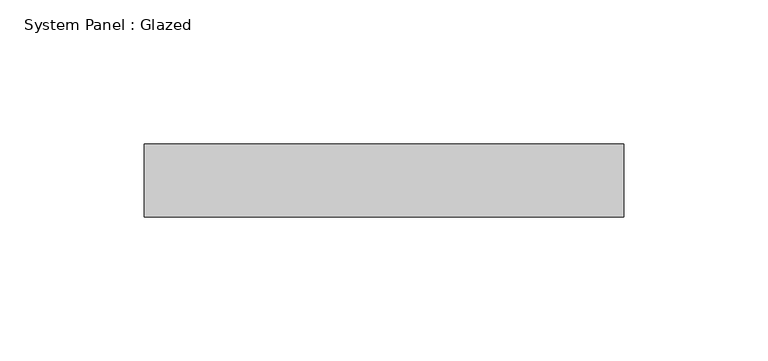
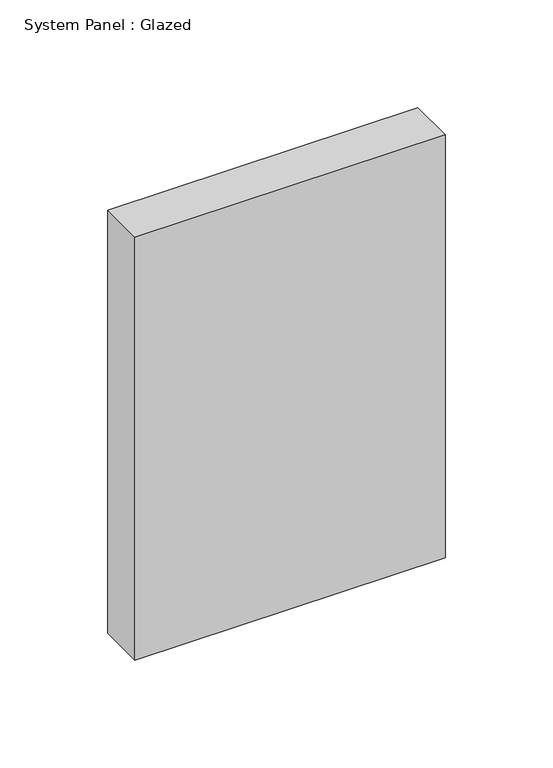
"""IFC4 building model written with IfcOpenShell, lengths in millimetres: plate geometry, System Panel : Glazed."""

import ifcopenshell
import ifcopenshell.guid

model = None  # the IFC model being written
_history = None  # IfcOwnerHistory: only IFC2X3 demands one
_inside = {}  # id of a spatial element -> (the spatial element, [elements in it])
_under = {}  # id of a project, library or spatial element -> (it, [spatial elements below it])
_declared = {}  # id of a project -> (the project, [libraries it declares])
_typed = {}  # id of a type object -> (the type object, [elements of that type])
_made_of = {}  # id of a material, layer set ... -> (it, [elements and type objects made of it])


def new_model(schema):
    """Start an empty IFC model of exactly this schema.

    Asked for "IFC4X3", IfcOpenShell would pick the latest addendum, in which some entities
    have other attributes; the version numbers below select the first issue.
    IFC2X3 requires an IfcOwnerHistory on every rooted entity: one is made here for all.
    """
    global model, _history
    if schema == "IFC4X3":
        model = ifcopenshell.file(schema_version=(4, 3, 0, 0))
    else:
        model = ifcopenshell.file(schema=schema)
    _inside.clear()
    _under.clear()
    _declared.clear()
    _typed.clear()
    _made_of.clear()
    _history = None
    if model.schema == "IFC2X3":
        org = make("IfcOrganization", Name="unknown")
        user = make(
            "IfcPersonAndOrganization",
            ThePerson=make("IfcPerson", FamilyName="unknown"),
            TheOrganization=org,
        )
        app = make(
            "IfcApplication",
            ApplicationDeveloper=org,
            Version="unknown",
            ApplicationFullName="unknown",
            ApplicationIdentifier="unknown",
        )
        _history = make(
            "IfcOwnerHistory",
            OwningUser=user,
            OwningApplication=app,
            ChangeAction="ADDED",
            CreationDate=0,
        )
    return model


def make(cls, **values):
    """One entity of the class cls with the attributes given. An attribute that is None is left unset."""
    return model.create_entity(
        cls, **{name: value for name, value in values.items() if value is not None}
    )


def rooted(cls, **values):
    """An entity with a GlobalId (a new one), such as an element, a storey or a relation."""
    return make(cls, GlobalId=ifcopenshell.guid.new(), OwnerHistory=_history, **values)


def si_unit(unit_type, name, prefix=None):
    """IfcSIUnit, for example si_unit("LENGTHUNIT", "METRE", prefix="MILLI")."""
    return make("IfcSIUnit", UnitType=unit_type, Prefix=prefix, Name=name)


def assignment(units):
    """IfcUnitAssignment: the units of a project."""
    return None if units is None else make("IfcUnitAssignment", Units=units)


def point(xyz):
    """IfcCartesianPoint."""
    return None if xyz is None else make("IfcCartesianPoint", Coordinates=xyz)


def direction(xyz):
    """IfcDirection."""
    return None if xyz is None else make("IfcDirection", DirectionRatios=xyz)


def frame(location, z_axis=None, x_axis=None):
    """IfcAxis2Placement3D, a coordinate frame: its origin and axes. An axis left out is left unset."""
    return make(
        "IfcAxis2Placement3D",
        Location=point(location),
        Axis=direction(z_axis),
        RefDirection=direction(x_axis),
    )


def origin():
    """The frame at (0, 0, 0) with its axes left unset."""
    return frame((0.0, 0.0, 0.0))


def origin_with_axes():
    """The frame at (0, 0, 0) with the z axis (0, 0, 1) and the x axis (1, 0, 0) written out."""
    return frame((0.0, 0.0, 0.0), z_axis=(0.0, 0.0, 1.0), x_axis=(1.0, 0.0, 0.0))


def place(relative_to, where):
    """IfcLocalPlacement: puts the frame where relative to a parent placement (None: the world)."""
    return make(
        "IfcLocalPlacement", PlacementRelTo=relative_to, RelativePlacement=where
    )


def context(
    kind, dimensions, precision=None, world=None, true_north=None, identifier=None
):
    """IfcGeometricRepresentationContext, for example the 3D "Model" context."""
    return make(
        "IfcGeometricRepresentationContext",
        ContextIdentifier=identifier,
        ContextType=kind,
        CoordinateSpaceDimension=dimensions,
        Precision=precision,
        WorldCoordinateSystem=world,
        TrueNorth=true_north,
    )


def project(units=None, contexts=None):
    """IfcProject with its units and contexts."""
    return rooted(
        "IfcProject",
        Name="project",
        RepresentationContexts=contexts,
        UnitsInContext=assignment(units),
    )


def spatial(cls, under=None, at=None, **own):
    """A site, building, storey or space (cls), placed at a placement, below another one or the project."""
    s = rooted(cls, ObjectPlacement=at, **own)
    if under is not None:
        _under.setdefault(under.id(), (under, []))[1].append(s)
    return s


def polyline(points):
    """IfcPolyline through the points."""
    return make("IfcPolyline", Points=[point(p) for p in points])


def outline(outer, holes=None, kind="AREA"):
    """IfcArbitraryClosedProfileDef: a profile drawn as a closed curve; with holes, ...WithVoids."""
    if holes is None:
        return make("IfcArbitraryClosedProfileDef", ProfileType=kind, OuterCurve=outer)
    return make(
        "IfcArbitraryProfileDefWithVoids",
        ProfileType=kind,
        OuterCurve=outer,
        InnerCurves=holes,
    )


def extrude(swept, where, along, depth):
    """IfcExtrudedAreaSolid: the profile swept, set in the frame where, extruded along a direction by depth."""
    return make(
        "IfcExtrudedAreaSolid",
        SweptArea=swept,
        Position=where,
        ExtrudedDirection=direction(along),
        Depth=depth,
    )


def shape(context_of_items, identifier, shape_type, items):
    """IfcShapeRepresentation: the items that make up one representation, for example the "Body"."""
    return make(
        "IfcShapeRepresentation",
        ContextOfItems=context_of_items,
        RepresentationIdentifier=identifier,
        RepresentationType=shape_type,
        Items=items,
    )


def source(mapping_origin, context_of_items, identifier, shape_type, items):
    """IfcRepresentationMap: a shape defined once, which mapped items show again and again."""
    return make(
        "IfcRepresentationMap",
        MappingOrigin=mapping_origin,
        MappedRepresentation=shape(context_of_items, identifier, shape_type, items),
    )


def transform(
    local_origin,
    x_axis=None,
    y_axis=None,
    z_axis=None,
    scale=None,
    scale2=None,
    scale3=None,
    uniform=True,
):
    """IfcCartesianTransformationOperator3D, or its non-uniform kind. x_axis, y_axis, z_axis: its Axis1, 2, 3."""
    if uniform:
        return make(
            "IfcCartesianTransformationOperator3D",
            Axis1=direction(x_axis),
            Axis2=direction(y_axis),
            LocalOrigin=point(local_origin),
            Scale=scale,
            Axis3=direction(z_axis),
        )
    return make(
        "IfcCartesianTransformationOperator3DnonUniform",
        Axis1=direction(x_axis),
        Axis2=direction(y_axis),
        LocalOrigin=point(local_origin),
        Scale=scale,
        Axis3=direction(z_axis),
        Scale2=scale2,
        Scale3=scale3,
    )


def mapped(mapping_source, mapping_target):
    """IfcMappedItem: shows the shape of a source again, moved by a transform."""
    return make(
        "IfcMappedItem", MappingSource=mapping_source, MappingTarget=mapping_target
    )


def made_of(thing, what):
    """Note that an element or type object is made of a material, layer set ...; save() writes the relation."""
    if what is not None:
        _made_of.setdefault(what.id(), (what, []))[1].append(thing)
    return thing


def element(
    cls,
    number,
    at=None,
    inside=None,
    cuts=None,
    type_object=None,
    material=None,
    context=None,
    identifier="Body",
    shape_type=None,
    held_by="IfcProductDefinitionShape",
    body=None,
    shapes=None,
    **own,
):
    """One element of the class cls, such as IfcWall. Its Tag is "e" and its number.

    at: its placement. inside: the storey or other place that contains it. cuts: it is an
    opening in that element (IfcRelVoidsElement). A single representation is given by context,
    identifier, shape_type and body (its items); several are given by shapes. held_by: the class
    of the entity that holds the representations. save() writes the other relations.
    """
    e = rooted(cls, Tag="e%d" % number, ObjectPlacement=at, **own)
    if body is not None:
        shapes = [shape(context, identifier, shape_type, body)]
    if shapes is not None:
        e.Representation = make(held_by, Representations=shapes)
    if inside is not None:
        _inside.setdefault(inside.id(), (inside, []))[1].append(e)
    if cuts is not None:
        rooted(
            "IfcRelVoidsElement", RelatingBuildingElement=cuts, RelatedOpeningElement=e
        )
    if type_object is not None:
        _typed.setdefault(type_object.id(), (type_object, []))[1].append(e)
    return made_of(e, material)


def aggregate(whole, parts):
    """IfcRelAggregates: a whole, such as a stair, and the parts it consists of."""
    return rooted("IfcRelAggregates", RelatingObject=whole, RelatedObjects=parts)


def save(model, path):
    """Write the relations noted so far, then the file.

    IfcRelAggregates (storeys below a building ...), IfcRelContainedInSpatialStructure (elements
    in a storey), IfcRelDefinesByType, IfcRelAssociatesMaterial and IfcRelDeclares: one each for
    every whole, place, type object, material and project.
    """
    for whole, parts in _under.values():
        aggregate(whole, parts)
    for where, things in _inside.values():
        rooted(
            "IfcRelContainedInSpatialStructure",
            RelatedElements=things,
            RelatingStructure=where,
        )
    for kind, things in _typed.values():
        rooted("IfcRelDefinesByType", RelatedObjects=things, RelatingType=kind)
    for what, things in _made_of.values():
        rooted("IfcRelAssociatesMaterial", RelatedObjects=things, RelatingMaterial=what)
    for by, libraries in _declared.values():
        rooted("IfcRelDeclares", RelatingContext=by, RelatedDefinitions=libraries)
    model.write(path)


def system_panel_glazed_fef320bd(model_context):
    return source(origin(), model_context, "Body", "SweptSolid", [
        extrude(outline(polyline([(83.25, 19.05), (-83.25, 19.05), (-83.25, 44.45), (83.25, 44.45), (83.25, 19.05)])), origin_with_axes(), (0.0, 0.0, 1.0), 240.0),
    ])


if __name__ == "__main__":
    model = new_model("IFC4")
    model_context = context("Model", 3, world=origin())
    ifc_project = project(units=[si_unit("LENGTHUNIT", "METRE", prefix="MILLI")], contexts=[model_context])
    site = spatial("IfcSite", under=ifc_project)
    building = spatial("IfcBuilding", under=site)
    placement = place(None, origin())
    system_panel_glazed_shape = system_panel_glazed_fef320bd(model_context)
    element("IfcPlate", 1, ObjectType="System Panel : Glazed", at=placement, inside=building, context=model_context, shape_type="MappedRepresentation", body=[
        mapped(system_panel_glazed_shape, transform((0.0, 0.0, 0.0), x_axis=(1.0, 0.0, 0.0), y_axis=(0.0, 1.0, 0.0), z_axis=(0.0, 0.0, 1.0))),
    ])
    save(model, "model.ifc")
